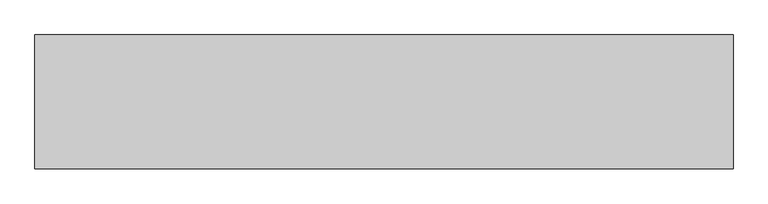
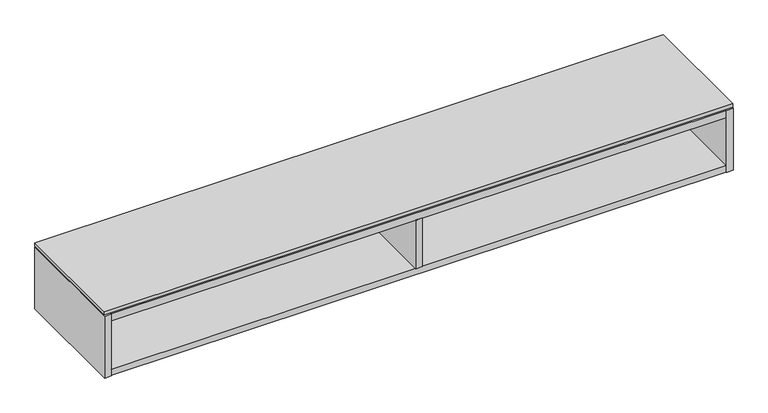
"""IFC4 building model written with IfcOpenShell, lengths in millimetres: furniture geometry."""

import ifcopenshell
import ifcopenshell.guid

model = None  # the IFC model being written
_history = None  # IfcOwnerHistory: only IFC2X3 demands one
_inside = {}  # id of a spatial element -> (the spatial element, [elements in it])
_under = {}  # id of a project, library or spatial element -> (it, [spatial elements below it])
_declared = {}  # id of a project -> (the project, [libraries it declares])
_typed = {}  # id of a type object -> (the type object, [elements of that type])
_made_of = {}  # id of a material, layer set ... -> (it, [elements and type objects made of it])


def new_model(schema):
    """Start an empty IFC model of exactly this schema.

    Asked for "IFC4X3", IfcOpenShell would pick the latest addendum, in which some entities
    have other attributes; the version numbers below select the first issue.
    IFC2X3 requires an IfcOwnerHistory on every rooted entity: one is made here for all.
    """
    global model, _history
    if schema == "IFC4X3":
        model = ifcopenshell.file(schema_version=(4, 3, 0, 0))
    else:
        model = ifcopenshell.file(schema=schema)
    _inside.clear()
    _under.clear()
    _declared.clear()
    _typed.clear()
    _made_of.clear()
    _history = None
    if model.schema == "IFC2X3":
        org = make("IfcOrganization", Name="unknown")
        user = make(
            "IfcPersonAndOrganization",
            ThePerson=make("IfcPerson", FamilyName="unknown"),
            TheOrganization=org,
        )
        app = make(
            "IfcApplication",
            ApplicationDeveloper=org,
            Version="unknown",
            ApplicationFullName="unknown",
            ApplicationIdentifier="unknown",
        )
        _history = make(
            "IfcOwnerHistory",
            OwningUser=user,
            OwningApplication=app,
            ChangeAction="ADDED",
            CreationDate=0,
        )
    return model


def make(cls, **values):
    """One entity of the class cls with the attributes given. An attribute that is None is left unset."""
    return model.create_entity(
        cls, **{name: value for name, value in values.items() if value is not None}
    )


def rooted(cls, **values):
    """An entity with a GlobalId (a new one), such as an element, a storey or a relation."""
    return make(cls, GlobalId=ifcopenshell.guid.new(), OwnerHistory=_history, **values)


def si_unit(unit_type, name, prefix=None):
    """IfcSIUnit, for example si_unit("LENGTHUNIT", "METRE", prefix="MILLI")."""
    return make("IfcSIUnit", UnitType=unit_type, Prefix=prefix, Name=name)


def assignment(units):
    """IfcUnitAssignment: the units of a project."""
    return None if units is None else make("IfcUnitAssignment", Units=units)


def point(xyz):
    """IfcCartesianPoint."""
    return None if xyz is None else make("IfcCartesianPoint", Coordinates=xyz)


def direction(xyz):
    """IfcDirection."""
    return None if xyz is None else make("IfcDirection", DirectionRatios=xyz)


def frame(location, z_axis=None, x_axis=None):
    """IfcAxis2Placement3D, a coordinate frame: its origin and axes. An axis left out is left unset."""
    return make(
        "IfcAxis2Placement3D",
        Location=point(location),
        Axis=direction(z_axis),
        RefDirection=direction(x_axis),
    )


def origin():
    """The frame at (0, 0, 0) with its axes left unset."""
    return frame((0.0, 0.0, 0.0))


def place(relative_to, where):
    """IfcLocalPlacement: puts the frame where relative to a parent placement (None: the world)."""
    return make(
        "IfcLocalPlacement", PlacementRelTo=relative_to, RelativePlacement=where
    )


def context(
    kind, dimensions, precision=None, world=None, true_north=None, identifier=None
):
    """IfcGeometricRepresentationContext, for example the 3D "Model" context."""
    return make(
        "IfcGeometricRepresentationContext",
        ContextIdentifier=identifier,
        ContextType=kind,
        CoordinateSpaceDimension=dimensions,
        Precision=precision,
        WorldCoordinateSystem=world,
        TrueNorth=true_north,
    )


def project(units=None, contexts=None):
    """IfcProject with its units and contexts."""
    return rooted(
        "IfcProject",
        Name="project",
        RepresentationContexts=contexts,
        UnitsInContext=assignment(units),
    )


def spatial(cls, under=None, at=None, **own):
    """A site, building, storey or space (cls), placed at a placement, below another one or the project."""
    s = rooted(cls, ObjectPlacement=at, **own)
    if under is not None:
        _under.setdefault(under.id(), (under, []))[1].append(s)
    return s


def polyline(points):
    """IfcPolyline through the points."""
    return make("IfcPolyline", Points=[point(p) for p in points])


def outline(outer, holes=None, kind="AREA"):
    """IfcArbitraryClosedProfileDef: a profile drawn as a closed curve; with holes, ...WithVoids."""
    if holes is None:
        return make("IfcArbitraryClosedProfileDef", ProfileType=kind, OuterCurve=outer)
    return make(
        "IfcArbitraryProfileDefWithVoids",
        ProfileType=kind,
        OuterCurve=outer,
        InnerCurves=holes,
    )


def extrude(swept, where, along, depth):
    """IfcExtrudedAreaSolid: the profile swept, set in the frame where, extruded along a direction by depth."""
    return make(
        "IfcExtrudedAreaSolid",
        SweptArea=swept,
        Position=where,
        ExtrudedDirection=direction(along),
        Depth=depth,
    )


def faces_of(points, faces, orient=None, outer=None):
    """IfcFace entities. A face is a list of loops; a loop is a list of indices into points, from 0.

    orient and outer hold one flag for each loop. By default every Orientation is true, the
    first loop of a face is its IfcFaceOuterBound and the others are IfcFaceBound.
    """
    made = []
    for i, loops in enumerate(faces):
        bounds = []
        for j, loop in enumerate(loops):
            is_outer = j == 0 if outer is None else outer[i][j]
            bounds.append(
                make(
                    "IfcFaceOuterBound" if is_outer else "IfcFaceBound",
                    Bound=make("IfcPolyLoop", Polygon=[points[k] for k in loop]),
                    Orientation=True if orient is None else orient[i][j],
                )
            )
        made.append(make("IfcFace", Bounds=bounds))
    return made


def faceted_brep(points, faces, orient=None, outer=None, voids=None):
    """IfcFacetedBrep: a solid bounded by flat faces; with voids (closed shells), ...WithVoids."""
    shared = [point(p) for p in points]
    hull = make("IfcClosedShell", CfsFaces=faces_of(shared, faces, orient, outer))
    if voids is None:
        return make("IfcFacetedBrep", Outer=hull)
    return make(
        "IfcFacetedBrepWithVoids",
        Outer=hull,
        Voids=[
            make(cls, CfsFaces=faces_of(shared, fs, o, b)) for cls, fs, o, b in voids
        ],
    )


def shape(context_of_items, identifier, shape_type, items):
    """IfcShapeRepresentation: the items that make up one representation, for example the "Body"."""
    return make(
        "IfcShapeRepresentation",
        ContextOfItems=context_of_items,
        RepresentationIdentifier=identifier,
        RepresentationType=shape_type,
        Items=items,
    )


def source(mapping_origin, context_of_items, identifier, shape_type, items):
    """IfcRepresentationMap: a shape defined once, which mapped items show again and again."""
    return make(
        "IfcRepresentationMap",
        MappingOrigin=mapping_origin,
        MappedRepresentation=shape(context_of_items, identifier, shape_type, items),
    )


def transform(
    local_origin,
    x_axis=None,
    y_axis=None,
    z_axis=None,
    scale=None,
    scale2=None,
    scale3=None,
    uniform=True,
):
    """IfcCartesianTransformationOperator3D, or its non-uniform kind. x_axis, y_axis, z_axis: its Axis1, 2, 3."""
    if uniform:
        return make(
            "IfcCartesianTransformationOperator3D",
            Axis1=direction(x_axis),
            Axis2=direction(y_axis),
            LocalOrigin=point(local_origin),
            Scale=scale,
            Axis3=direction(z_axis),
        )
    return make(
        "IfcCartesianTransformationOperator3DnonUniform",
        Axis1=direction(x_axis),
        Axis2=direction(y_axis),
        LocalOrigin=point(local_origin),
        Scale=scale,
        Axis3=direction(z_axis),
        Scale2=scale2,
        Scale3=scale3,
    )


def mapped(mapping_source, mapping_target):
    """IfcMappedItem: shows the shape of a source again, moved by a transform."""
    return make(
        "IfcMappedItem", MappingSource=mapping_source, MappingTarget=mapping_target
    )


def made_of(thing, what):
    """Note that an element or type object is made of a material, layer set ...; save() writes the relation."""
    if what is not None:
        _made_of.setdefault(what.id(), (what, []))[1].append(thing)
    return thing


def element(
    cls,
    number,
    at=None,
    inside=None,
    cuts=None,
    type_object=None,
    material=None,
    context=None,
    identifier="Body",
    shape_type=None,
    held_by="IfcProductDefinitionShape",
    body=None,
    shapes=None,
    **own,
):
    """One element of the class cls, such as IfcWall. Its Tag is "e" and its number.

    at: its placement. inside: the storey or other place that contains it. cuts: it is an
    opening in that element (IfcRelVoidsElement). A single representation is given by context,
    identifier, shape_type and body (its items); several are given by shapes. held_by: the class
    of the entity that holds the representations. save() writes the other relations.
    """
    e = rooted(cls, Tag="e%d" % number, ObjectPlacement=at, **own)
    if body is not None:
        shapes = [shape(context, identifier, shape_type, body)]
    if shapes is not None:
        e.Representation = make(held_by, Representations=shapes)
    if inside is not None:
        _inside.setdefault(inside.id(), (inside, []))[1].append(e)
    if cuts is not None:
        rooted(
            "IfcRelVoidsElement", RelatingBuildingElement=cuts, RelatedOpeningElement=e
        )
    if type_object is not None:
        _typed.setdefault(type_object.id(), (type_object, []))[1].append(e)
    return made_of(e, material)


def aggregate(whole, parts):
    """IfcRelAggregates: a whole, such as a stair, and the parts it consists of."""
    return rooted("IfcRelAggregates", RelatingObject=whole, RelatedObjects=parts)


def save(model, path):
    """Write the relations noted so far, then the file.

    IfcRelAggregates (storeys below a building ...), IfcRelContainedInSpatialStructure (elements
    in a storey), IfcRelDefinesByType, IfcRelAssociatesMaterial and IfcRelDeclares: one each for
    every whole, place, type object, material and project.
    """
    for whole, parts in _under.values():
        aggregate(whole, parts)
    for where, things in _inside.values():
        rooted(
            "IfcRelContainedInSpatialStructure",
            RelatedElements=things,
            RelatingStructure=where,
        )
    for kind, things in _typed.values():
        rooted("IfcRelDefinesByType", RelatedObjects=things, RelatingType=kind)
    for what, things in _made_of.values():
        rooted("IfcRelAssociatesMaterial", RelatedObjects=things, RelatingMaterial=what)
    for by, libraries in _declared.values():
        rooted("IfcRelDeclares", RelatingContext=by, RelatedDefinitions=libraries)
    model.write(path)


def furniture_febd623f(model_context):
    return source(origin(), model_context, "Body", "SolidModel", [
        extrude(outline(polyline([(1368.6234375, -191.0115724), (-457.2, -191.0115724), (-457.2, 158.8226276), (1368.6234375, 158.8226276), (1368.6234375, -191.0115724)])), frame((0.0, 0.0, 1451.102), z_axis=(0.0, 0.0, 1.0), x_axis=(1.0, 0.0, 0.0)), (0.0, 0.0, 1.0), 9.779),
        extrude(outline(polyline([(-437.896, 145.5282676), (-437.896, 158.8226276), (1349.3194375, 158.8226276), (1349.3194375, 145.5282676), (-437.896, 145.5282676)])), frame((0.0, 0.0, 1349.91475), z_axis=(0.0, 0.0, 1.0), x_axis=(1.0, 0.0, 0.0)), (0.0, 0.0, 1.0), 76.2),
        extrude(outline(polyline([(465.3637187, -191.7735724), (446.0597187, -191.7735724), (446.0597187, 126.2242676), (465.3637187, 126.2242676), (465.3637187, -191.7735724)])), frame((0.0, 0.0, 1277.366), z_axis=(0.0, 0.0, 1.0), x_axis=(1.0, 0.0, 0.0)), (0.0, 0.0, 1.0), 148.74875),
        faceted_brep([(1349.3194375, -191.0115724, 1277.366), (-437.896, -191.0115724, 1277.366), (-437.896, -191.0115724, 1258.062), (1349.3194375, -191.0115724, 1258.062), (-437.896, 145.5282676, 1426.11475), (1349.3194375, 145.5282676, 1426.11475), (1349.3194375, 145.5282676, 1257.3), (-437.896, 145.5282676, 1257.3), (1349.3194375, 126.2242676, 1277.366), (-437.896, 126.2242676, 1277.366), (-437.896, 126.2242676, 1258.062), (1349.3194375, 126.2242676, 1258.062), (-437.896, 158.8226276, 1447.8), (-457.2, 158.8226276, 1447.8), (-457.2, -191.7735724, 1447.8), (-437.896, -191.7735724, 1447.8), (1349.3194375, -191.7735724, 1447.8), (1368.6234375, -191.7735724, 1447.8), (1368.6234375, 158.8226276, 1447.8), (1349.3194375, 158.8226276, 1447.8), (-437.896, -191.7735724, 1257.3), (-457.2, -191.7735724, 1257.3), (-457.2, 158.8226276, 1257.3), (-437.896, 158.8226276, 1257.3), (1349.3194375, 158.8226276, 1257.3), (1368.6234375, 158.8226276, 1257.3), (1368.6234375, -191.7735724, 1257.3), (1349.3194375, -191.7735724, 1257.3), (1349.3194375, 126.2242676, 1257.3), (-437.896, 126.2242676, 1257.3), (-437.896, 158.8226276, 1447.038), (1349.3194375, 158.8226276, 1447.038), (1349.3194375, 158.8226276, 1426.11475), (-437.896, 158.8226276, 1426.11475), (-437.896, 126.2242676, 1426.11475), (-437.896, -191.0115724, 1426.11475), (-437.896, -191.0115724, 1447.038), (1349.3194375, -191.0115724, 1447.038), (1349.3194375, -191.0115724, 1426.11475), (1349.3194375, 126.2242676, 1426.11475)], [[[0, 1, 2, 3]], [[4, 5, 6, 7]], [[1, 0, 8, 9]], [[3, 2, 10, 11]], [[12, 13, 14, 15]], [[16, 17, 18, 19]], [[20, 21, 22, 23, 7, 6, 24, 25, 26, 27, 28, 29]], [[13, 12, 30, 31, 19, 18, 25, 24, 32, 33, 23, 22]], [[14, 13, 22, 21]], [[15, 14, 21, 20]], [[4, 7, 23, 33]], [[12, 15, 20, 29, 10, 2, 1, 9, 34, 35, 36, 30]], [[6, 5, 32, 24]], [[16, 19, 31, 37, 38, 39, 8, 0, 3, 11, 28, 27]], [[17, 16, 27, 26]], [[18, 17, 26, 25]], [[37, 36, 35, 38]], [[36, 37, 31, 30]], [[33, 32, 5, 4]], [[38, 35, 34, 39]], [[9, 8, 39, 34]], [[29, 28, 11, 10]]]),
    ])


if __name__ == "__main__":
    model = new_model("IFC4")
    model_context = context("Model", 3, world=origin())
    ifc_project = project(units=[si_unit("LENGTHUNIT", "METRE", prefix="MILLI")], contexts=[model_context])
    site = spatial("IfcSite", under=ifc_project)
    building = spatial("IfcBuilding", under=site)
    placement = place(None, origin())
    furniture_shape = furniture_febd623f(model_context)
    element("IfcFurniture", 1, at=placement, inside=building, context=model_context, shape_type="MappedRepresentation", body=[
        mapped(furniture_shape, transform((0.0, 0.0, 0.0), x_axis=(1.0, 0.0, 0.0), y_axis=(0.0, 1.0, 0.0), z_axis=(0.0, 0.0, 1.0))),
    ])
    save(model, "model.ifc")
